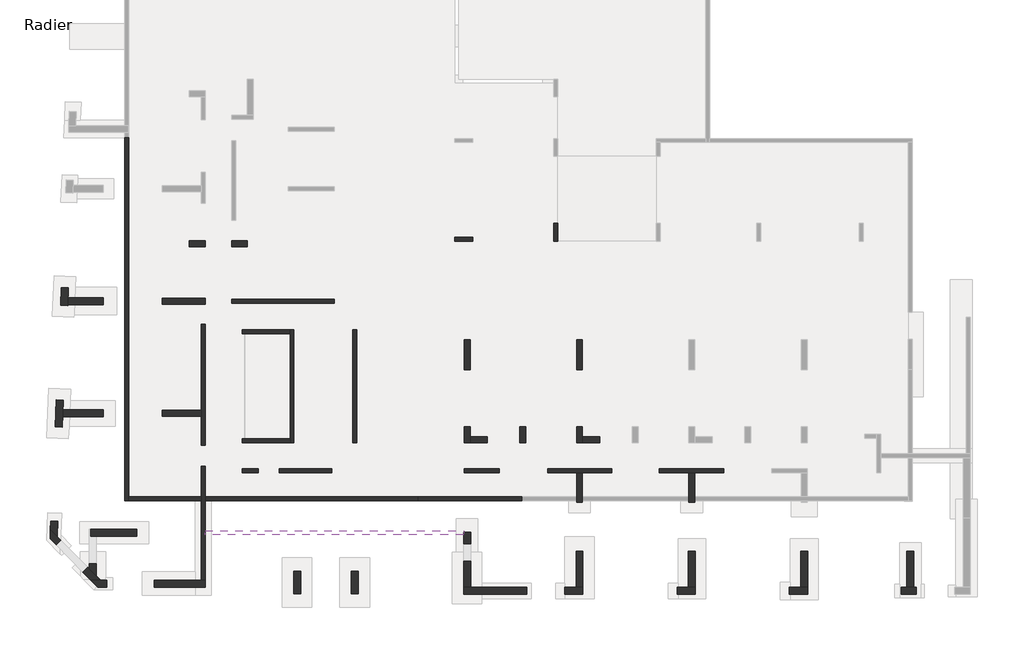
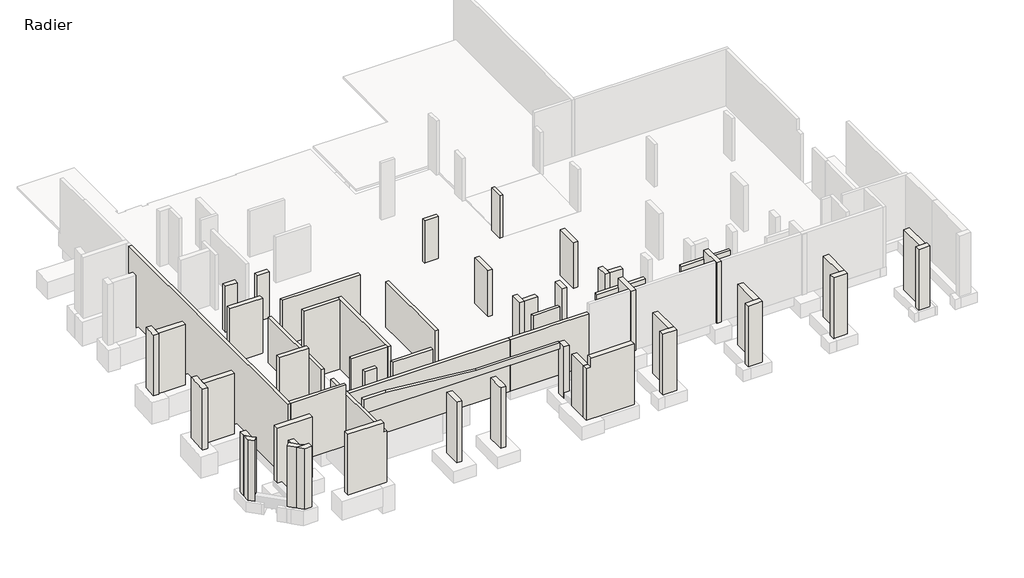
# One storey, part 1 of 4: 56 walls.
"""IFC4 building model written with IfcOpenShell, lengths in millimetres."""

from ifc_helpers import new_model, si_unit, frame, origin, place, context, project, spatial, polyline, outline, extrude, faceted_brep, element, save

model = new_model("IFC4")

# Units and contexts
model_context = context("Model", 3, world=origin())
ifc_project = project(units=[si_unit("LENGTHUNIT", "METRE", prefix="MILLI")], contexts=[model_context])

# Site, building, storey
site = spatial("IfcSite", under=ifc_project)
building = spatial("IfcBuilding", under=site)
storey = spatial("IfcBuildingStorey", under=building, Name="Radier", Elevation=-3900.0)

# Walls
placement = place(None, origin())
element("IfcWall", 1, ObjectType="MHA20", at=placement, inside=storey, context=model_context, shape_type="Brep", body=[
    faceted_brep([(-36735.6912908, -18724.0672499, -4300.0), (-36735.6912908, -12949.0672499, -4300.0), (-36735.6912908, -12949.0672499, -4050.0), (-36735.6912908, -12949.0672499, -670.0), (-36735.6912908, -18724.0672499, -670.0), (-36935.6912908, -18724.0672499, -4300.0), (-36935.6912908, -18724.0672499, -670.0), (-36935.6912908, -12949.0672499, -670.0), (-36935.6912908, -12949.0672499, -4050.0), (-36935.6912908, -12949.0672499, -4300.0)], [[[0, 1, 2, 3, 4]], [[5, 6, 7, 8, 9]], [[1, 0, 5, 9]], [[3, 2, 1, 9, 8, 7]], [[4, 3, 7, 6]], [[0, 4, 6, 5]]]),
])
element("IfcWall", 2, ObjectType="MHA20", at=placement, inside=storey, context=model_context, shape_type="Brep", body=[
    faceted_brep([(-10470.6912908, -13079.0672499, -4300.0), (-13740.6912908, -13079.0672499, -4300.0), (-13740.6912908, -13079.0672499, -670.0), (-10470.6912908, -13079.0672499, -670.0), (-10470.6912908, -13279.0672499, -4300.0), (-10470.6912908, -13279.0672499, -670.0), (-13740.6912908, -13279.0672499, -670.0), (-13740.6912908, -13279.0672499, -4300.0), (-12245.6912908, -13279.0672499, -4300.0), (-11945.6912908, -13279.0672499, -4300.0)], [[[0, 1, 2, 3]], [[4, 5, 6, 7, 8, 9]], [[1, 0, 4, 9, 8, 7]], [[2, 1, 7, 6]], [[3, 2, 6, 5]], [[0, 3, 5, 4]]]),
])
element("IfcWall", 3, ObjectType="MHA20", at=placement, inside=storey, context=model_context, shape_type="Brep", body=[
    faceted_brep([(-16160.6912908, -13079.0672499, -4300.0), (-19380.6912908, -13079.0672499, -4300.0), (-19380.6912908, -13079.0672499, -670.0), (-16160.6912908, -13079.0672499, -670.0), (-16160.6912908, -13279.0672499, -4300.0), (-16160.6912908, -13279.0672499, -670.0), (-19380.6912908, -13279.0672499, -670.0), (-19380.6912908, -13279.0672499, -4300.0), (-17935.6912908, -13279.0672499, -4300.0), (-17635.6912908, -13279.0672499, -4300.0)], [[[0, 1, 2, 3]], [[4, 5, 6, 7, 8, 9]], [[1, 0, 4, 9, 8, 7]], [[2, 1, 7, 6]], [[3, 2, 6, 5]], [[0, 3, 5, 4]]]),
])
element("IfcWall", 4, ObjectType="MHA20", at=placement, inside=storey, context=model_context, shape_type="SweptSolid", body=[
    extrude(outline(polyline([(-23625.6912908, -13079.0672499), (-21850.6912908, -13079.0672499), (-21850.6912908, -13279.0672499), (-23625.6912908, -13279.0672499), (-23625.6912908, -13079.0672499)])), frame((0.0, 0.0, -4300.0), z_axis=(0.0, 0.0, 1.0), x_axis=(1.0, 0.0, 0.0)), (0.0, 0.0, 1.0), 3630.0),
])
element("IfcWall", 5, ObjectType="MHA20", at=placement, inside=storey, context=model_context, shape_type="Brep", body=[
    faceted_brep([(-30320.6912908, -13079.0672499, -4300.0), (-32995.6912908, -13079.0672499, -4300.0), (-32995.6912908, -13079.0672499, -4050.0), (-32995.6912908, -13079.0672499, -670.0), (-30320.6912908, -13079.0672499, -670.0), (-30320.6912908, -13279.0672499, -4300.0), (-30320.6912908, -13279.0672499, -670.0), (-32995.6912908, -13279.0672499, -670.0), (-32995.6912908, -13279.0672499, -4050.0), (-32995.6912908, -13279.0672499, -4300.0)], [[[0, 1, 2, 3, 4]], [[5, 6, 7, 8, 9]], [[1, 0, 5, 9]], [[3, 2, 1, 9, 8, 7]], [[4, 3, 7, 6]], [[0, 4, 6, 5]]]),
])
element("IfcWall", 6, ObjectType="MHA20", at=placement, inside=storey, context=model_context, shape_type="Brep", body=[
    faceted_brep([(-34865.6912908, -13279.0672499, -4300.0), (-34055.6912908, -13279.0672499, -4300.0), (-34055.6912908, -13279.0672499, -4050.0), (-34055.6912908, -13279.0672499, -670.0), (-34865.6912908, -13279.0672499, -670.0), (-34865.6912908, -13079.0672499, -4300.0), (-34865.6912908, -13079.0672499, -670.0), (-34055.6912908, -13079.0672499, -670.0), (-34055.6912908, -13079.0672499, -4050.0), (-34055.6912908, -13079.0672499, -4300.0)], [[[0, 1, 2, 3, 4]], [[5, 6, 7, 8, 9]], [[1, 0, 5, 9]], [[3, 2, 1, 9, 8, 7]], [[4, 3, 7, 6]], [[0, 4, 6, 5]]]),
])
element("IfcWall", 7, ObjectType="MHA20", at=placement, inside=storey, context=model_context, shape_type="Brep", body=[
    faceted_brep([(-29065.6912908, -11759.0672499, -4300.0), (-29065.6912908, -6039.0672499, -4300.0), (-29065.6912908, -6039.0672499, -1650.0), (-29065.6912908, -6039.0672499, -670.0), (-29065.6912908, -11759.0672499, -670.0), (-29265.6912908, -11759.0672499, -4300.0), (-29265.6912908, -11759.0672499, -670.0), (-29265.6912908, -6039.0672499, -670.0), (-29265.6912908, -6039.0672499, -1650.0), (-29265.6912908, -6039.0672499, -4300.0)], [[[0, 1, 2, 3, 4]], [[5, 6, 7, 8, 9]], [[1, 0, 5, 9]], [[3, 2, 1, 9, 8, 7]], [[4, 3, 7, 6]], [[0, 4, 6, 5]]]),
])
element("IfcWall", 8, ObjectType="MHA20", at=placement, inside=storey, context=model_context, shape_type="Brep", body=[
    faceted_brep([(-35405.6912908, -4689.0672499, -4300.0), (-30195.6912908, -4689.0672499, -4300.0), (-30195.6912908, -4689.0672499, -1650.0), (-30195.6912908, -4689.0672499, -830.0), (-30195.6912908, -4689.0672499, -670.0), (-35405.6912908, -4689.0672499, -670.0), (-35405.6912908, -4689.0672499, -4050.0), (-35405.6912908, -4489.0672499, -4300.0), (-35405.6912908, -4489.0672499, -4050.0), (-35405.6912908, -4489.0672499, -670.0), (-30195.6912908, -4489.0672499, -670.0), (-30195.6912908, -4489.0672499, -830.0), (-30195.6912908, -4489.0672499, -1650.0), (-30195.6912908, -4489.0672499, -4300.0)], [[[0, 1, 2, 3, 4, 5, 6]], [[7, 8, 9, 10, 11, 12, 13]], [[1, 0, 7, 13]], [[4, 3, 2, 1, 13, 12, 11, 10]], [[5, 4, 10, 9]], [[0, 6, 5, 9, 8, 7]]]),
])
element("IfcWall", 9, ObjectType="MHA20", at=placement, inside=storey, context=model_context, shape_type="Brep", body=[
    faceted_brep([(-32245.6912908, -11759.0672499, -5800.0), (-32245.6912908, -6044.0672499, -5800.0), (-32245.6912908, -6044.0672499, -670.0), (-32245.6912908, -11759.0672499, -670.0), (-32445.6912908, -11759.0672499, -5800.0), (-32445.6912908, -11759.0672499, -670.0), (-32445.6912908, -11559.0672499, -670.0), (-32445.6912908, -6244.0672499, -670.0), (-32445.6912908, -6044.0672499, -670.0), (-32445.6912908, -6044.0672499, -5800.0), (-32445.6912908, -6244.0672499, -5800.0), (-32445.6912908, -11559.0672499, -5800.0)], [[[0, 1, 2, 3]], [[4, 5, 6, 7, 8, 9, 10, 11]], [[1, 0, 4, 11, 10, 9]], [[3, 2, 8, 7, 6, 5]], [[0, 3, 5, 4]], [[2, 1, 9, 8]]]),
])
element("IfcWall", 10, ObjectType="MHA20", at=placement, inside=storey, context=model_context, shape_type="Brep", body=[
    faceted_brep([(-34865.6912908, -11759.0672499, -5800.0), (-32445.6912908, -11759.0672499, -5800.0), (-32445.6912908, -11759.0672499, -670.0), (-34865.6912908, -11759.0672499, -670.0), (-34865.6912908, -11759.0672499, -4050.0), (-34865.6912908, -11559.0672499, -5800.0), (-34865.6912908, -11559.0672499, -4050.0), (-34865.6912908, -11559.0672499, -670.0), (-32445.6912908, -11559.0672499, -670.0), (-32445.6912908, -11559.0672499, -5800.0), (-34745.6912908, -11559.0672499, -5800.0)], [[[0, 1, 2, 3, 4]], [[5, 6, 7, 8, 9, 10]], [[1, 0, 5, 10, 9]], [[3, 2, 8, 7]], [[0, 4, 3, 7, 6, 5]], [[2, 1, 9, 8]]]),
])
element("IfcWall", 11, ObjectType="MHA20", at=placement, inside=storey, context=model_context, shape_type="Brep", body=[
    faceted_brep([(-34865.6912908, -6244.0672499, -5800.0), (-34745.6912908, -6244.0672499, -5800.0), (-32445.6912908, -6244.0672499, -5800.0), (-32445.6912908, -6244.0672499, -670.0), (-34865.6912908, -6244.0672499, -670.0), (-34865.6912908, -6244.0672499, -4050.0), (-34865.6912908, -6044.0672499, -5800.0), (-34865.6912908, -6044.0672499, -4050.0), (-34865.6912908, -6044.0672499, -670.0), (-32445.6912908, -6044.0672499, -670.0), (-32445.6912908, -6044.0672499, -5800.0)], [[[0, 1, 2, 3, 4, 5]], [[6, 7, 8, 9, 10]], [[2, 1, 0, 6, 10]], [[4, 3, 9, 8]], [[0, 5, 4, 8, 7, 6]], [[3, 2, 10, 9]]]),
])
element("IfcWall", 12, ObjectType="MHA20", at=placement, inside=storey, context=model_context, shape_type="Brep", body=[
    faceted_brep([(-36735.6912908, -11889.0672499, -4300.0), (-36735.6912908, -5774.0672499, -4300.0), (-36735.6912908, -5774.0672499, -670.0), (-36735.6912908, -11889.0672499, -670.0), (-36735.6912908, -11889.0672499, -4050.0), (-36935.6912908, -11889.0672499, -4300.0), (-36935.6912908, -11889.0672499, -4050.0), (-36935.6912908, -11889.0672499, -670.0), (-36935.6912908, -5774.0672499, -670.0), (-36935.6912908, -5774.0672499, -4300.0), (-36935.6912908, -10129.0672499, -4300.0), (-36935.6912908, -10429.0672499, -4300.0)], [[[0, 1, 2, 3, 4]], [[5, 6, 7, 8, 9, 10, 11]], [[1, 0, 5, 11, 10, 9]], [[2, 1, 9, 8]], [[3, 2, 8, 7]], [[0, 4, 3, 7, 6, 5]]]),
])
element("IfcWall", 13, ObjectType="MHA20", at=placement, inside=storey, context=model_context, shape_type="SweptSolid", body=[
    extrude(outline(polyline([(-40605.6912908, 3675.9327501), (-40605.6912908, -14699.0672499), (-40805.6912908, -14699.0672499), (-40805.6912908, 3675.9327501), (-40605.6912908, 3675.9327501)])), frame((0.0, 0.0, -5400.0), z_axis=(0.0, 0.0, 1.0), x_axis=(1.0, 0.0, 0.0)), (0.0, 0.0, 1.0), 5380.0),
])
element("IfcWall", 14, ObjectType="MHA20", at=placement, inside=storey, context=model_context, shape_type="SweptSolid", body=[
    extrude(outline(polyline([(-36935.6912908, -14699.0672499), (-40605.6912908, -14699.0672499), (-40605.6912908, -14499.0672499), (-36935.6912908, -14499.0672499), (-36935.6912908, -14699.0672499)])), frame((0.0, 0.0, -4300.0), z_axis=(0.0, 0.0, 1.0), x_axis=(1.0, 0.0, 0.0)), (0.0, 0.0, 1.0), 4280.0),
])
element("IfcWall", 15, ObjectType="MHA20", at=placement, inside=storey, context=model_context, shape_type="Brep", body=[
    faceted_brep([(-25975.6912908, -14699.0672499, -4300.0), (-20715.6912908, -14699.0672499, -4300.0), (-20715.6912908, -14699.0672499, -670.0), (-23300.6912908, -14699.0672499, -670.0), (-23650.6912908, -14699.0672499, -670.0), (-25975.6912908, -14699.0672499, -670.0), (-25975.6912908, -14499.0672499, -4300.0), (-25975.6912908, -14499.0672499, -670.0), (-20715.6912908, -14499.0672499, -670.0), (-20715.6912908, -14499.0672499, -4300.0)], [[[0, 1, 2, 3, 4, 5]], [[6, 7, 8, 9]], [[1, 0, 6, 9]], [[2, 1, 9, 8]], [[5, 4, 3, 2, 8, 7]], [[0, 5, 7, 6]]]),
])
element("IfcWall", 16, ObjectType="MHA20", at=placement, inside=storey, context=model_context, shape_type="SweptSolid", body=[
    extrude(outline(polyline([(-25975.6912908, -14699.0672499), (-36735.6912908, -14699.0672499), (-36735.6912908, -14499.0672499), (-25975.6912908, -14499.0672499), (-25975.6912908, -14699.0672499)])), frame((0.0, 0.0, -4300.0), z_axis=(0.0, 0.0, 1.0), x_axis=(1.0, 0.0, 0.0)), (0.0, 0.0, 1.0), 3630.0),
])
element("IfcWall", 17, ObjectType="MHA20", at=placement, inside=storey, context=model_context, shape_type="Brep", body=[
    faceted_brep([(-36735.6912908, -16419.0672499, -80.0), (-36735.6912908, -16419.0672499, -1070.0), (-23650.6912908, -16419.0672499, -1070.0), (-23650.6912908, -16419.0672499, -670.0), (-29190.6912908, -16419.0672499, -670.0), (-35225.6912908, -16419.0672499, -80.0), (-36735.6912908, -16219.0672499, -1070.0), (-36735.6912908, -16219.0672499, -80.0), (-35225.6912908, -16219.0672499, -80.0), (-29190.6912908, -16219.0672499, -670.0), (-23650.6912908, -16219.0672499, -670.0), (-23650.6912908, -16219.0672499, -1070.0), (-23650.6912908, -16289.0672499, -670.0)], [[[0, 1, 2, 3, 4, 5]], [[6, 7, 8, 9, 10, 11]], [[0, 7, 6, 1]], [[2, 1, 6, 11]], [[3, 2, 11, 10, 12]], [[0, 5, 8, 7]], [[4, 3, 12, 10, 9]], [[5, 4, 9, 8]]]),
])
element("IfcWall", 18, ObjectType="MHA20", at=placement, inside=storey, context=model_context, shape_type="Brep", body=[
    faceted_brep([(-19095.6912908, -659.1017012, -4300.0), (-19095.6912908, -1559.1017012, -4300.0), (-19095.6912908, -1559.1017012, -1450.0), (-19095.6912908, -1559.1017012, -1400.1086553), (-19095.6912908, -1559.1017012, -1220.0996555), (-19095.6912908, -1559.1017012, -900.0), (-19095.6912908, -659.1017012, -900.0), (-19095.6912908, -659.1017012, -1229.0996555), (-19095.6912908, -659.1017012, -1409.1086553), (-19095.6912908, -659.1017012, -1450.0), (-18895.6912908, -659.1017012, -4300.0), (-18895.6912908, -659.1017012, -1450.0), (-18895.6912908, -659.1017012, -1409.1086553), (-18895.6912908, -659.1017012, -1229.0996555), (-18895.6912908, -659.1017012, -900.0), (-18895.6912908, -1559.1017012, -900.0), (-18895.6912908, -1559.1017012, -1220.0996555), (-18895.6912908, -1559.1017012, -1400.1086553), (-18895.6912908, -1559.1017012, -1450.0), (-18895.6912908, -1559.1017012, -4300.0), (-18895.6912908, -1359.0672499, -4300.0)], [[[0, 1, 2, 3, 4, 5, 6, 7, 8, 9]], [[10, 11, 12, 13, 14, 15, 16, 17, 18, 19, 20]], [[1, 0, 10, 20, 19]], [[5, 4, 3, 2, 1, 19, 18, 17, 16, 15]], [[6, 5, 15, 14]], [[0, 9, 8, 7, 6, 14, 13, 12, 11, 10]]]),
])
element("IfcWall", 19, ObjectType="MHA20", at=placement, inside=storey, context=model_context, shape_type="Brep", body=[
    faceted_brep([(-24095.725742, -1559.1017012, -4300.0), (-23195.725742, -1559.1017012, -4300.0), (-23195.725742, -1559.1017012, -900.0), (-24095.725742, -1559.1017012, -900.0), (-24095.725742, -1559.1017012, -1220.0996555), (-24095.725742, -1559.1017012, -1400.1086553), (-24095.725742, -1559.1017012, -1450.0), (-24095.725742, -1359.1017012, -4300.0), (-24095.725742, -1359.1017012, -1450.0), (-24095.725742, -1359.1017012, -1402.1086553), (-24095.725742, -1359.1017012, -1222.0996555), (-24095.725742, -1359.1017012, -900.0), (-23195.725742, -1359.1017012, -900.0), (-23195.725742, -1359.1017012, -4300.0)], [[[0, 1, 2, 3, 4, 5, 6]], [[7, 8, 9, 10, 11, 12, 13]], [[1, 0, 7, 13]], [[2, 1, 13, 12]], [[3, 2, 12, 11]], [[0, 6, 5, 4, 3, 11, 10, 9, 8, 7]]]),
])
element("IfcWall", 20, ObjectType="MHA30", at=placement, inside=storey, context=model_context, shape_type="SweptSolid", body=[
    extrude(outline(polyline([(-20500.6912908, -10959.0672499), (-20500.6912908, -11759.0672499), (-20800.6912908, -11759.0672499), (-20800.6912908, -10959.0672499), (-20500.6912908, -10959.0672499)])), frame((0.0, 0.0, -4300.0), z_axis=(0.0, 0.0, 1.0), x_axis=(1.0, 0.0, 0.0)), (0.0, 0.0, 1.0), 3630.0),
])
element("IfcWall", 21, ObjectType="MHA30", at=placement, inside=storey, context=model_context, shape_type="Brep", body=[
    faceted_brep([(-35405.6912908, -1844.0672499, -4300.0), (-34605.6912908, -1844.0672499, -4300.0), (-34605.6912908, -1844.0672499, -670.0), (-35405.6912908, -1844.0672499, -670.0), (-35405.6912908, -1844.0672499, -4050.0), (-35405.6912908, -1544.0672499, -4300.0), (-35405.6912908, -1544.0672499, -4050.0), (-35405.6912908, -1544.0672499, -670.0), (-34605.6912908, -1544.0672499, -670.0), (-34605.6912908, -1544.0672499, -4300.0)], [[[0, 1, 2, 3, 4]], [[5, 6, 7, 8, 9]], [[1, 0, 5, 9]], [[2, 1, 9, 8]], [[3, 2, 8, 7]], [[0, 4, 3, 7, 6, 5]]]),
])
element("IfcWall", 22, ObjectType="MHA30", at=placement, inside=storey, context=model_context, shape_type="Brep", body=[
    faceted_brep([(-36735.6912908, -1544.0672499, -4300.0), (-37535.6912908, -1544.0672499, -4300.0), (-37535.6912908, -1544.0672499, -670.0), (-36735.6912908, -1544.0672499, -670.0), (-36735.6912908, -1544.0672499, -820.0), (-36735.6912908, -1544.0672499, -4050.0), (-36735.6912908, -1844.0672499, -4300.0), (-36735.6912908, -1844.0672499, -4050.0), (-36735.6912908, -1844.0672499, -670.0), (-37535.6912908, -1844.0672499, -670.0), (-37535.6912908, -1844.0672499, -4300.0)], [[[0, 1, 2, 3, 4, 5]], [[6, 7, 8, 9, 10]], [[1, 0, 6, 10]], [[2, 1, 10, 9]], [[3, 2, 9, 8]], [[0, 5, 4, 3, 8, 7, 6]]]),
])
element("IfcWall", 23, ObjectType="MHA30", at=placement, inside=storey, context=model_context, shape_type="Brep", body=[
    faceted_brep([(-17635.6912908, -14769.0672499, -4300.0), (-17635.6912908, -13279.0672499, -4300.0), (-17635.6912908, -13279.0672499, -820.0), (-17635.6912908, -13279.0672499, -180.0), (-17635.6912908, -13279.0672499, -20.0), (-17635.6912908, -14769.0672499, -20.0), (-17635.6912908, -14769.0672499, -140.0), (-17635.6912908, -14769.0672499, -820.0), (-17935.6912908, -14769.0672499, -4300.0), (-17935.6912908, -14769.0672499, -820.0), (-17935.6912908, -14769.0672499, -140.0), (-17935.6912908, -14769.0672499, -20.0), (-17935.6912908, -13279.0672499, -20.0), (-17935.6912908, -13279.0672499, -180.0), (-17935.6912908, -13279.0672499, -820.0), (-17935.6912908, -13279.0672499, -4300.0)], [[[0, 1, 2, 3, 4, 5, 6, 7]], [[8, 9, 10, 11, 12, 13, 14, 15]], [[1, 0, 8, 15]], [[5, 4, 12, 11]], [[0, 7, 6, 5, 11, 10, 9, 8]], [[1, 15, 14, 13, 12, 4, 3, 2]]]),
])
element("IfcWall", 24, ObjectType="MHA30", at=placement, inside=storey, context=model_context, shape_type="Brep", body=[
    faceted_brep([(-11945.6912908, -14769.0672499, -4300.0), (-11945.6912908, -13279.0672499, -4300.0), (-11945.6912908, -13279.0672499, -820.0), (-11945.6912908, -13279.0672499, -180.0), (-11945.6912908, -13279.0672499, -20.0), (-11945.6912908, -14769.0672499, -20.0), (-11945.6912908, -14769.0672499, -140.0), (-11945.6912908, -14769.0672499, -820.0), (-12245.6912908, -14769.0672499, -4300.0), (-12245.6912908, -14769.0672499, -820.0), (-12245.6912908, -14769.0672499, -140.0), (-12245.6912908, -14769.0672499, -20.0), (-12245.6912908, -13279.0672499, -20.0), (-12245.6912908, -13279.0672499, -180.0), (-12245.6912908, -13279.0672499, -820.0), (-12245.6912908, -13279.0672499, -4300.0)], [[[0, 1, 2, 3, 4, 5, 6, 7]], [[8, 9, 10, 11, 12, 13, 14, 15]], [[1, 0, 8, 15]], [[5, 4, 12, 11]], [[0, 7, 6, 5, 11, 10, 9, 8]], [[1, 15, 14, 13, 12, 4, 3, 2]]]),
])
element("IfcWall", 25, ObjectType="MHA30", at=placement, inside=storey, context=model_context, shape_type="Brep", body=[
    faceted_brep([(-38905.6912908, -10429.0672499, -4300.0), (-36935.6912908, -10429.0672499, -4300.0), (-36935.6912908, -10429.0672499, -820.0), (-36935.6912908, -10429.0672499, -180.0), (-36935.6912908, -10429.0672499, -20.0), (-38905.6912908, -10429.0672499, -20.0), (-38905.6912908, -10429.0672499, -180.0), (-38905.6912908, -10429.0672499, -820.0), (-38905.6912908, -10129.0672499, -4300.0), (-38905.6912908, -10129.0672499, -820.0), (-38905.6912908, -10129.0672499, -180.0), (-38905.6912908, -10129.0672499, -20.0), (-36935.6912908, -10129.0672499, -20.0), (-36935.6912908, -10129.0672499, -180.0), (-36935.6912908, -10129.0672499, -820.0), (-36935.6912908, -10129.0672499, -4300.0)], [[[0, 1, 2, 3, 4, 5, 6, 7]], [[8, 9, 10, 11, 12, 13, 14, 15]], [[1, 0, 8, 15]], [[5, 4, 12, 11]], [[0, 7, 6, 5, 11, 10, 9, 8]], [[1, 15, 14, 13, 12, 4, 3, 2]]]),
])
element("IfcWall", 26, ObjectType="MHA30", at=placement, inside=storey, context=model_context, shape_type="Brep", body=[
    faceted_brep([(-36735.6912908, -4439.0672499, -4300.0), (-38905.6912908, -4439.0672499, -4300.0), (-38905.6912908, -4439.0672499, -820.0), (-38905.6912908, -4439.0672499, -180.0), (-38905.6912908, -4439.0672499, -20.0), (-36735.6912908, -4439.0672499, -20.0), (-36735.6912908, -4739.0672499, -4300.0), (-36735.6912908, -4739.0672499, -20.0), (-38905.6912908, -4739.0672499, -20.0), (-38905.6912908, -4739.0672499, -180.0), (-38905.6912908, -4739.0672499, -820.0), (-38905.6912908, -4739.0672499, -4300.0), (-36735.6912908, -4489.0672499, -4300.0), (-36735.6912908, -4689.0672499, -4300.0)], [[[0, 1, 2, 3, 4, 5]], [[6, 7, 8, 9, 10, 11]], [[1, 0, 12, 13, 6, 11]], [[4, 3, 2, 1, 11, 10, 9, 8]], [[5, 4, 8, 7]], [[0, 5, 7, 6, 13, 12]]]),
])
element("IfcWall", 27, ObjectType="MHA30", at=placement, inside=storey, context=model_context, shape_type="Brep", body=[
    faceted_brep([(-17935.6912908, -6559.0672499, -4300.0), (-17935.6912908, -8059.0672499, -4300.0), (-17935.6912908, -8059.0672499, -1650.0), (-17935.6912908, -8059.0672499, -830.0), (-17935.6912908, -8059.0672499, -670.0), (-17935.6912908, -6559.0672499, -670.0), (-17935.6912908, -6559.0672499, -830.0), (-17935.6912908, -6559.0672499, -1650.0), (-17635.6912908, -6559.0672499, -4300.0), (-17635.6912908, -6559.0672499, -1650.0), (-17635.6912908, -6559.0672499, -830.0), (-17635.6912908, -6559.0672499, -670.0), (-17635.6912908, -8059.0672499, -670.0), (-17635.6912908, -8059.0672499, -830.0), (-17635.6912908, -8059.0672499, -1650.0), (-17635.6912908, -8059.0672499, -4300.0)], [[[0, 1, 2, 3, 4, 5, 6, 7]], [[8, 9, 10, 11, 12, 13, 14, 15]], [[1, 0, 8, 15]], [[4, 3, 2, 1, 15, 14, 13, 12]], [[5, 4, 12, 11]], [[0, 7, 6, 5, 11, 10, 9, 8]]]),
])
element("IfcWall", 28, ObjectType="MHA30", at=placement, inside=storey, context=model_context, shape_type="Brep", body=[
    faceted_brep([(-17935.6912908, -10959.0672499, -4300.0), (-17935.6912908, -11759.0672499, -4300.0), (-17935.6912908, -11759.0672499, -670.0), (-17935.6912908, -10959.0672499, -670.0), (-17935.6912908, -10959.0672499, -830.0), (-17935.6912908, -10959.0672499, -1650.0), (-17635.6912908, -10959.0672499, -4300.0), (-17635.6912908, -10959.0672499, -1650.0), (-17635.6912908, -10959.0672499, -830.0), (-17635.6912908, -10959.0672499, -670.0), (-17635.6912908, -11459.0672499, -670.0), (-17635.6912908, -11759.0672499, -670.0), (-17635.6912908, -11759.0672499, -4300.0), (-17635.6912908, -11459.0672499, -4300.0)], [[[0, 1, 2, 3, 4, 5]], [[6, 7, 8, 9, 10, 11, 12, 13]], [[1, 0, 6, 13, 12]], [[3, 2, 11, 10, 9]], [[0, 5, 4, 3, 9, 8, 7, 6]], [[2, 1, 12, 11]]]),
])
element("IfcWall", 29, ObjectType="MHA30", at=placement, inside=storey, context=model_context, shape_type="Brep", body=[
    faceted_brep([(-23625.6912908, -6559.0672499, -4300.0), (-23625.6912908, -8059.0672499, -4300.0), (-23625.6912908, -8059.0672499, -1650.0), (-23625.6912908, -8059.0672499, -830.0), (-23625.6912908, -8059.0672499, -670.0), (-23625.6912908, -6559.0672499, -670.0), (-23625.6912908, -6559.0672499, -830.0), (-23625.6912908, -6559.0672499, -1650.0), (-23325.6912908, -6559.0672499, -4300.0), (-23325.6912908, -6559.0672499, -1650.0), (-23325.6912908, -6559.0672499, -830.0), (-23325.6912908, -6559.0672499, -670.0), (-23325.6912908, -8059.0672499, -670.0), (-23325.6912908, -8059.0672499, -830.0), (-23325.6912908, -8059.0672499, -1650.0), (-23325.6912908, -8059.0672499, -4300.0)], [[[0, 1, 2, 3, 4, 5, 6, 7]], [[8, 9, 10, 11, 12, 13, 14, 15]], [[1, 0, 8, 15]], [[4, 3, 2, 1, 15, 14, 13, 12]], [[5, 4, 12, 11]], [[0, 7, 6, 5, 11, 10, 9, 8]]]),
])
element("IfcWall", 30, ObjectType="MHA30", at=placement, inside=storey, context=model_context, shape_type="Brep", body=[
    faceted_brep([(-23625.6912908, -10959.0672499, -4300.0), (-23625.6912908, -11759.0672499, -4300.0), (-23625.6912908, -11759.0672499, -1650.0), (-23625.6912908, -11759.0672499, -830.0), (-23625.6912908, -11759.0672499, -670.0), (-23625.6912908, -10959.0672499, -670.0), (-23625.6912908, -10959.0672499, -830.0), (-23625.6912908, -10959.0672499, -1650.0), (-23325.6912908, -10959.0672499, -4300.0), (-23325.6912908, -10959.0672499, -1650.0), (-23325.6912908, -10959.0672499, -830.0), (-23325.6912908, -10959.0672499, -670.0), (-23325.6912908, -11459.0672499, -670.0), (-23325.6912908, -11759.0672499, -670.0), (-23325.6912908, -11759.0672499, -4300.0), (-23325.6912908, -11459.0672499, -4300.0)], [[[0, 1, 2, 3, 4, 5, 6, 7]], [[8, 9, 10, 11, 12, 13, 14, 15]], [[1, 0, 8, 15, 14]], [[5, 4, 13, 12, 11]], [[0, 7, 6, 5, 11, 10, 9, 8]], [[4, 3, 2, 1, 14, 13]]]),
])
element("IfcWall", 31, ObjectType="MHA30", at=placement, inside=storey, context=model_context, shape_type="SweptSolid", body=[
    extrude(outline(polyline([(-23325.6912908, -11459.0672499), (-22450.6912908, -11459.0672499), (-22450.6912908, -11759.0672499), (-23325.6912908, -11759.0672499), (-23325.6912908, -11459.0672499)])), frame((0.0, 0.0, -4300.0), z_axis=(0.0, 0.0, 1.0), x_axis=(1.0, 0.0, 0.0)), (0.0, 0.0, 1.0), 3630.0),
])
element("IfcWall", 32, ObjectType="MHA30", at=placement, inside=storey, context=model_context, shape_type="SweptSolid", body=[
    extrude(outline(polyline([(-17635.6912908, -11459.0672499), (-16760.6912908, -11459.0672499), (-16760.6912908, -11759.0672499), (-17635.6912908, -11759.0672499), (-17635.6912908, -11459.0672499)])), frame((0.0, 0.0, -4300.0), z_axis=(0.0, 0.0, 1.0), x_axis=(1.0, 0.0, 0.0)), (0.0, 0.0, 1.0), 3630.0),
])
element("IfcWall", 33, ObjectType="MHA35", at=placement, inside=storey, context=model_context, shape_type="Brep", body=[
    faceted_brep([(-6230.6912908, -19094.0672499, -4300.0), (-6230.6912908, -17269.0672499, -4300.0), (-6230.6912908, -17269.0672499, -820.0), (-6230.6912908, -17269.0672499, -140.0), (-6230.6912908, -17269.0672499, -20.0), (-6230.6912908, -19094.0672499, -20.0), (-6580.6912908, -19094.0672499, -4300.0), (-6580.6912908, -19094.0672499, -20.0), (-6580.6912908, -17269.0672499, -20.0), (-6580.6912908, -17269.0672499, -140.0), (-6580.6912908, -17269.0672499, -820.0), (-6580.6912908, -17269.0672499, -4300.0)], [[[0, 1, 2, 3, 4, 5]], [[6, 7, 8, 9, 10, 11]], [[1, 0, 6, 11]], [[4, 3, 2, 1, 11, 10, 9, 8]], [[5, 4, 8, 7]], [[0, 5, 7, 6]]]),
])
element("IfcWall", 34, ObjectType="MHA35", at=placement, inside=storey, context=model_context, shape_type="Brep", body=[
    faceted_brep([(-850.6912908, -19094.0672499, -4300.0), (-850.6912908, -17269.0672499, -4300.0), (-850.6912908, -17269.0672499, -820.0), (-850.6912908, -17269.0672499, -140.0), (-850.6912908, -17269.0672499, -20.0), (-850.6912908, -19094.0672499, -20.0), (-1200.6912908, -19094.0672499, -4300.0), (-1200.6912908, -19094.0672499, -20.0), (-1200.6912908, -17269.0672499, -20.0), (-1200.6912908, -17269.0672499, -140.0), (-1200.6912908, -17269.0672499, -820.0), (-1200.6912908, -17269.0672499, -4300.0)], [[[0, 1, 2, 3, 4, 5]], [[6, 7, 8, 9, 10, 11]], [[1, 0, 6, 11]], [[4, 3, 2, 1, 11, 10, 9, 8]], [[5, 4, 8, 7]], [[0, 5, 7, 6]]]),
])
element("IfcWall", 35, ObjectType="MHA35", at=placement, inside=storey, context=model_context, shape_type="Brep", body=[
    faceted_brep([(-11920.6912908, -19094.0672499, -4300.0), (-11920.6912908, -17269.0672499, -4300.0), (-11920.6912908, -17269.0672499, -820.0), (-11920.6912908, -17269.0672499, -140.0), (-11920.6912908, -17269.0672499, -20.0), (-11920.6912908, -19094.0672499, -20.0), (-12270.6912908, -19094.0672499, -4300.0), (-12270.6912908, -19094.0672499, -20.0), (-12270.6912908, -17269.0672499, -20.0), (-12270.6912908, -17269.0672499, -140.0), (-12270.6912908, -17269.0672499, -820.0), (-12270.6912908, -17269.0672499, -4300.0)], [[[0, 1, 2, 3, 4, 5]], [[6, 7, 8, 9, 10, 11]], [[1, 0, 6, 11]], [[4, 3, 2, 1, 11, 10, 9, 8]], [[5, 4, 8, 7]], [[0, 5, 7, 6]]]),
])
element("IfcWall", 36, ObjectType="MHA35", at=placement, inside=storey, context=model_context, shape_type="Brep", body=[
    faceted_brep([(-17610.6912908, -19094.0672499, -4300.0), (-17610.6912908, -17269.0672499, -4300.0), (-17610.6912908, -17269.0672499, -820.0), (-17610.6912908, -17269.0672499, -140.0), (-17610.6912908, -17269.0672499, -20.0), (-17610.6912908, -19094.0672499, -20.0), (-17960.6912908, -19094.0672499, -4300.0), (-17960.6912908, -19094.0672499, -20.0), (-17960.6912908, -17269.0672499, -20.0), (-17960.6912908, -17269.0672499, -140.0), (-17960.6912908, -17269.0672499, -820.0), (-17960.6912908, -17269.0672499, -4300.0)], [[[0, 1, 2, 3, 4, 5]], [[6, 7, 8, 9, 10, 11]], [[1, 0, 6, 11]], [[4, 3, 2, 1, 11, 10, 9, 8]], [[5, 4, 8, 7]], [[0, 5, 7, 6]]]),
])
element("IfcWall", 37, ObjectType="MHA35", at=placement, inside=storey, context=model_context, shape_type="Brep", body=[
    faceted_brep([(-23300.6912908, -19094.0672499, -4300.0), (-23300.6912908, -17759.0672499, -4300.0), (-23300.6912908, -17759.0672499, -3900.0), (-23300.6912908, -17759.0672499, -1470.0), (-23300.6912908, -17759.0672499, -670.0), (-23300.6912908, -19094.0672499, -670.0), (-23650.6912908, -19094.0672499, -4300.0), (-23650.6912908, -19094.0672499, -670.0), (-23650.6912908, -17759.0672499, -670.0), (-23650.6912908, -17759.0672499, -1470.0), (-23650.6912908, -17759.0672499, -3900.0), (-23650.6912908, -17759.0672499, -4300.0), (-23325.6912908, -19094.0672499, -670.0)], [[[0, 1, 2, 3, 4, 5]], [[6, 7, 8, 9, 10, 11]], [[1, 0, 6, 11]], [[4, 3, 2, 1, 11, 10, 9, 8]], [[5, 4, 8, 7, 12]], [[0, 5, 12, 7, 6]]]),
])
element("IfcWall", 38, ObjectType="MHA35", at=placement, inside=storey, context=model_context, shape_type="Brep", body=[
    faceted_brep([(-28990.6912908, -19419.0672499, -4300.0), (-28990.6912908, -18269.0672499, -4300.0), (-28990.6912908, -18269.0672499, -20.0), (-28990.6912908, -19219.0672499, -20.0), (-28990.6912908, -19419.0672499, -20.0), (-28990.6912908, -19419.0672499, -420.0), (-29340.6912908, -19419.0672499, -4300.0), (-29340.6912908, -19419.0672499, -420.0), (-29340.6912908, -19419.0672499, -20.0), (-29340.6912908, -19219.0672499, -20.0), (-29340.6912908, -18269.0672499, -20.0), (-29340.6912908, -18269.0672499, -4300.0)], [[[0, 1, 2, 3, 4, 5]], [[6, 7, 8, 9, 10, 11]], [[1, 0, 6, 11]], [[2, 1, 11, 10]], [[4, 3, 2, 10, 9, 8]], [[0, 5, 4, 8, 7, 6]]]),
])
element("IfcWall", 39, ObjectType="MHA35", at=placement, inside=storey, context=model_context, shape_type="Brep", body=[
    faceted_brep([(-31910.6912908, -19419.0672499, -4300.0), (-31910.6912908, -18269.0672499, -4300.0), (-31910.6912908, -18269.0672499, -20.0), (-31910.6912908, -19219.0672499, -20.0), (-31910.6912908, -19419.0672499, -20.0), (-31910.6912908, -19419.0672499, -420.0), (-32260.6912908, -19419.0672499, -4300.0), (-32260.6912908, -19419.0672499, -420.0), (-32260.6912908, -19419.0672499, -20.0), (-32260.6912908, -19219.0672499, -20.0), (-32260.6912908, -18269.0672499, -20.0), (-32260.6912908, -18269.0672499, -4300.0)], [[[0, 1, 2, 3, 4, 5]], [[6, 7, 8, 9, 10, 11]], [[1, 0, 6, 11]], [[2, 1, 11, 10]], [[4, 3, 2, 10, 9, 8]], [[0, 5, 4, 8, 7, 6]]]),
])
element("IfcWall", 40, ObjectType="MHA35", at=placement, inside=storey, context=model_context, shape_type="Brep", body=[
    faceted_brep([(-43966.1461267, -10454.0672499, -4300.0), (-41905.6912908, -10454.0672499, -4300.0), (-41905.6912908, -10454.0672499, -820.0), (-41905.6912908, -10454.0672499, -140.0), (-41905.6912908, -10454.0672499, -20.0), (-43966.1461267, -10454.0672499, -20.0), (-43950.2684074, -10104.0672499, -4300.0), (-43950.2684074, -10104.0672499, -20.0), (-41905.6912908, -10104.0672499, -20.0), (-41905.6912908, -10104.0672499, -140.0), (-41905.6912908, -10104.0672499, -820.0), (-41905.6912908, -10104.0672499, -4300.0)], [[[0, 1, 2, 3, 4, 5]], [[6, 7, 8, 9, 10, 11]], [[1, 0, 6, 11]], [[4, 3, 2, 1, 11, 10, 9, 8]], [[5, 4, 8, 7]], [[0, 5, 7, 6]]]),
])
element("IfcWall", 41, ObjectType="MHA35", at=placement, inside=storey, context=model_context, shape_type="Brep", body=[
    faceted_brep([(-43708.0197758, -4764.0672499, -4300.0), (-41905.6912908, -4764.0672499, -4300.0), (-41905.6912908, -4764.0672499, -820.0), (-41905.6912908, -4764.0672499, -140.0), (-41905.6912908, -4764.0672499, -20.0), (-43708.0197758, -4764.0672499, -20.0), (-43692.1420565, -4414.0672499, -4300.0), (-43692.1420565, -4414.0672499, -20.0), (-41905.6912908, -4414.0672499, -20.0), (-41905.6912908, -4414.0672499, -140.0), (-41905.6912908, -4414.0672499, -820.0), (-41905.6912908, -4414.0672499, -4300.0)], [[[0, 1, 2, 3, 4, 5]], [[6, 7, 8, 9, 10, 11]], [[1, 0, 6, 11]], [[4, 3, 2, 1, 11, 10, 9, 8]], [[5, 4, 8, 7]], [[0, 5, 7, 6]]]),
])
element("IfcWall", 42, ObjectType="MHA35", at=placement, inside=storey, context=model_context, shape_type="Brep", body=[
    faceted_brep([(-23300.6912908, -16879.0672499, -4300.0), (-23300.6912908, -16289.0672499, -4300.0), (-23300.6912908, -16289.0672499, -1470.0), (-23300.6912908, -16289.0672499, -670.0), (-23300.6912908, -16879.0672499, -670.0), (-23300.6912908, -16879.0672499, -1470.0), (-23300.6912908, -16879.0672499, -3900.0), (-23650.6912908, -16879.0672499, -4300.0), (-23650.6912908, -16879.0672499, -3900.0), (-23650.6912908, -16879.0672499, -1470.0), (-23650.6912908, -16879.0672499, -670.0), (-23650.6912908, -16289.0672499, -670.0), (-23650.6912908, -16289.0672499, -1470.0), (-23650.6912908, -16289.0672499, -4300.0)], [[[0, 1, 2, 3, 4, 5, 6]], [[7, 8, 9, 10, 11, 12, 13]], [[1, 0, 7, 13]], [[3, 2, 1, 13, 12, 11]], [[4, 3, 11, 10]], [[0, 6, 5, 4, 10, 9, 8, 7]]]),
])
element("IfcWall", 43, ObjectType="MHA35", at=placement, inside=storey, context=model_context, shape_type="Brep", body=[
    faceted_brep([(-42250.6912908, -18510.656629, -4300.0), (-42250.6912908, -17889.0672499, -4300.0), (-42250.6912908, -17889.0672499, -3900.0), (-42250.6912908, -17889.0672499, -20.0), (-42250.6912908, -18510.656629, -20.0), (-42600.6912908, -18156.3621628, -4300.0), (-42600.6912908, -18156.3621628, -20.0), (-42600.6912908, -17889.0672499, -20.0), (-42600.6912908, -17889.0672499, -3900.0), (-42600.6912908, -17889.0672499, -4300.0)], [[[0, 1, 2, 3, 4]], [[5, 6, 7, 8, 9]], [[1, 0, 5, 9]], [[3, 2, 1, 9, 8, 7]], [[4, 3, 7, 6]], [[0, 4, 6, 5]]]),
])
element("IfcWall", 44, ObjectType="MHA35", at=placement, inside=storey, context=model_context, shape_type="SweptSolid", body=[
    extrude(outline(polyline([(-40205.6912908, -16494.0672499), (-42525.6912908, -16494.0672499), (-42525.6912908, -16144.0672499), (-40205.6912908, -16144.0672499), (-40205.6912908, -16494.0672499)])), frame((0.0, 0.0, -4300.0), z_axis=(0.0, 0.0, 1.0), x_axis=(1.0, 0.0, 0.0)), (0.0, 0.0, 1.0), 4280.0),
])
element("IfcWall", 45, ObjectType="MHA35", at=placement, inside=storey, context=model_context, shape_type="Brep", body=[
    faceted_brep([(-23650.6912908, -19444.0672499, -4300.0), (-20455.6912908, -19444.0672499, -4300.0), (-20455.6912908, -19444.0672499, -3700.0), (-20455.6912908, -19444.0672499, -420.0), (-20455.6912908, -19444.0672499, -140.0), (-20455.6912908, -19444.0672499, -20.0), (-23325.6912908, -19444.0672499, -20.0), (-23325.6912908, -19444.0672499, -670.0), (-23625.6912908, -19444.0672499, -670.0), (-23650.6912908, -19444.0672499, -670.0), (-23650.6912908, -19094.0672499, -4300.0), (-23650.6912908, -19094.0672499, -670.0), (-23325.6912908, -19094.0672499, -670.0), (-23325.6912908, -19094.0672499, -20.0), (-20455.6912908, -19094.0672499, -20.0), (-20455.6912908, -19094.0672499, -3700.0), (-20455.6912908, -19094.0672499, -4300.0), (-23300.6912908, -19094.0672499, -4300.0), (-23325.6912908, -19119.0672499, -20.0), (-23325.6912908, -19419.0672499, -20.0)], [[[0, 1, 2, 3, 4, 5, 6, 7, 8, 9]], [[10, 11, 12, 13, 14, 15, 16, 17]], [[1, 0, 10, 17, 16]], [[5, 4, 3, 2, 1, 16, 15, 14]], [[6, 5, 14, 13, 18, 19]], [[7, 12, 11, 9, 8]], [[0, 9, 11, 10]], [[7, 6, 19, 18, 13, 12]]]),
])
element("IfcWall", 46, ObjectType="MHA35", at=placement, inside=storey, context=model_context, shape_type="Brep", body=[
    faceted_brep([(-7155.6912908, -19444.0672499, -4300.0), (-6230.6912908, -19444.0672499, -4300.0), (-6230.6912908, -19444.0672499, -3700.0), (-6230.6912908, -19444.0672499, -420.0), (-6230.6912908, -19444.0672499, -140.0), (-6230.6912908, -19444.0672499, -20.0), (-7155.6912908, -19444.0672499, -20.0), (-7155.6912908, -19444.0672499, -140.0), (-7155.6912908, -19444.0672499, -420.0), (-7155.6912908, -19444.0672499, -3700.0), (-7155.6912908, -19094.0672499, -4300.0), (-7155.6912908, -19094.0672499, -3700.0), (-7155.6912908, -19094.0672499, -20.0), (-6580.6912908, -19094.0672499, -20.0), (-6230.6912908, -19094.0672499, -20.0), (-6230.6912908, -19094.0672499, -3700.0), (-6230.6912908, -19094.0672499, -4300.0), (-6580.6912908, -19094.0672499, -4300.0)], [[[0, 1, 2, 3, 4, 5, 6, 7, 8, 9]], [[10, 11, 12, 13, 14, 15, 16, 17]], [[1, 0, 10, 17, 16]], [[6, 5, 14, 13, 12]], [[0, 9, 8, 7, 6, 12, 11, 10]], [[5, 4, 3, 2, 1, 16, 15, 14]]]),
])
element("IfcWall", 47, ObjectType="MHA35", at=placement, inside=storey, context=model_context, shape_type="Brep", body=[
    faceted_brep([(-12845.6912908, -19444.0672499, -4300.0), (-11920.6912908, -19444.0672499, -4300.0), (-11920.6912908, -19444.0672499, -3700.0), (-11920.6912908, -19444.0672499, -420.0), (-11920.6912908, -19444.0672499, -140.0), (-11920.6912908, -19444.0672499, -20.0), (-12845.6912908, -19444.0672499, -20.0), (-12845.6912908, -19444.0672499, -140.0), (-12845.6912908, -19444.0672499, -420.0), (-12845.6912908, -19444.0672499, -3700.0), (-12845.6912908, -19094.0672499, -4300.0), (-12845.6912908, -19094.0672499, -3700.0), (-12845.6912908, -19094.0672499, -20.0), (-12270.6912908, -19094.0672499, -20.0), (-11920.6912908, -19094.0672499, -20.0), (-11920.6912908, -19094.0672499, -3700.0), (-11920.6912908, -19094.0672499, -4300.0), (-12270.6912908, -19094.0672499, -4300.0)], [[[0, 1, 2, 3, 4, 5, 6, 7, 8, 9]], [[10, 11, 12, 13, 14, 15, 16, 17]], [[1, 0, 10, 17, 16]], [[6, 5, 14, 13, 12]], [[0, 9, 8, 7, 6, 12, 11, 10]], [[5, 4, 3, 2, 1, 16, 15, 14]]]),
])
element("IfcWall", 48, ObjectType="MHA35", at=placement, inside=storey, context=model_context, shape_type="Brep", body=[
    faceted_brep([(-18535.6912908, -19444.0672499, -4300.0), (-17610.6912908, -19444.0672499, -4300.0), (-17610.6912908, -19444.0672499, -3700.0), (-17610.6912908, -19444.0672499, -420.0), (-17610.6912908, -19444.0672499, -140.0), (-17610.6912908, -19444.0672499, -20.0), (-18535.6912908, -19444.0672499, -20.0), (-18535.6912908, -19444.0672499, -140.0), (-18535.6912908, -19444.0672499, -420.0), (-18535.6912908, -19444.0672499, -3700.0), (-18535.6912908, -19094.0672499, -4300.0), (-18535.6912908, -19094.0672499, -3700.0), (-18535.6912908, -19094.0672499, -20.0), (-17960.6912908, -19094.0672499, -20.0), (-17610.6912908, -19094.0672499, -20.0), (-17610.6912908, -19094.0672499, -3700.0), (-17610.6912908, -19094.0672499, -4300.0), (-17960.6912908, -19094.0672499, -4300.0)], [[[0, 1, 2, 3, 4, 5, 6, 7, 8, 9]], [[10, 11, 12, 13, 14, 15, 16, 17]], [[1, 0, 10, 17, 16]], [[6, 5, 14, 13, 12]], [[0, 9, 8, 7, 6, 12, 11, 10]], [[5, 4, 3, 2, 1, 16, 15, 14]]]),
])
element("IfcWall", 49, ObjectType="MHA35", at=placement, inside=storey, context=model_context, shape_type="Brep", body=[
    faceted_brep([(-1485.6912908, -19444.0672499, -4300.0), (-725.6912908, -19444.0672499, -4300.0), (-725.6912908, -19444.0672499, -3700.0), (-725.6912908, -19444.0672499, -420.0), (-725.6912908, -19444.0672499, -140.0), (-725.6912908, -19444.0672499, -20.0), (-1485.6912908, -19444.0672499, -20.0), (-1485.6912908, -19444.0672499, -140.0), (-1485.6912908, -19444.0672499, -420.0), (-1485.6912908, -19444.0672499, -3700.0), (-1485.6912908, -19094.0672499, -4300.0), (-1485.6912908, -19094.0672499, -3700.0), (-1485.6912908, -19094.0672499, -20.0), (-1200.6912908, -19094.0672499, -20.0), (-850.6912908, -19094.0672499, -20.0), (-725.6912908, -19094.0672499, -20.0), (-725.6912908, -19094.0672499, -3700.0), (-725.6912908, -19094.0672499, -4300.0), (-850.6912908, -19094.0672499, -4300.0), (-1200.6912908, -19094.0672499, -4300.0)], [[[0, 1, 2, 3, 4, 5, 6, 7, 8, 9]], [[10, 11, 12, 13, 14, 15, 16, 17, 18, 19]], [[1, 0, 10, 19, 18, 17]], [[5, 4, 3, 2, 1, 17, 16, 15]], [[6, 5, 15, 14, 13, 12]], [[0, 9, 8, 7, 6, 12, 11, 10]]]),
])
element("IfcWall", 50, ObjectType="MHA35", at=placement, inside=storey, context=model_context, shape_type="Brep", body=[
    faceted_brep([(-43710.7383369, -4823.9937668, -4300.0), (-43708.0197758, -4764.0672499, -4300.0), (-43692.1420565, -4414.0672499, -4300.0), (-43669.7252716, -3919.9235657, -4300.0), (-43669.7252716, -3919.9235657, -3700.0), (-43669.7252716, -3919.9235657, -20.0), (-43692.1420565, -4414.0672499, -20.0), (-43708.0197758, -4764.0672499, -20.0), (-43710.7383369, -4823.9937668, -20.0), (-43710.7383369, -4823.9937668, -3700.0), (-44060.3787462, -4808.1323603, -4300.0), (-44060.3787462, -4808.1323603, -3700.0), (-44060.3787462, -4808.1323603, -420.0), (-44060.3787462, -4808.1323603, -140.0), (-44060.3787462, -4808.1323603, -20.0), (-44019.3656808, -3904.0621592, -20.0), (-44019.3656808, -3904.0621592, -140.0), (-44019.3656808, -3904.0621592, -420.0), (-44019.3656808, -3904.0621592, -3700.0), (-44019.3656808, -3904.0621592, -4300.0)], [[[0, 1, 2, 3, 4, 5, 6, 7, 8, 9]], [[10, 11, 12, 13, 14, 15, 16, 17, 18, 19]], [[3, 2, 1, 0, 10, 19]], [[5, 4, 3, 19, 18, 17, 16, 15]], [[8, 7, 6, 5, 15, 14]], [[0, 9, 8, 14, 13, 12, 11, 10]]]),
])
element("IfcWall", 51, ObjectType="MHA35", at=placement, inside=storey, context=model_context, shape_type="Brep", body=[
    faceted_brep([(-43989.4459083, -10967.6752437, -4300.0), (-43966.1461267, -10454.0672499, -4300.0), (-43950.2684074, -10104.0672499, -4300.0), (-43927.8130145, -9609.0725106, -4300.0), (-43927.8130145, -9609.0725106, -3700.0), (-43927.8130145, -9609.0725106, -20.0), (-43950.2684074, -10104.0672499, -20.0), (-43966.1461267, -10454.0672499, -20.0), (-43989.4459083, -10967.6752437, -20.0), (-43989.4459083, -10967.6752437, -3600.0), (-44339.0863176, -10951.8138372, -4300.0), (-44339.0863176, -10951.8138372, -3600.0), (-44339.0863176, -10951.8138372, -420.0), (-44339.0863176, -10951.8138372, -140.0), (-44339.0863176, -10951.8138372, -20.0), (-44277.4534238, -9593.2111041, -20.0), (-44277.4534238, -9593.2111041, -140.0), (-44277.4534238, -9593.2111041, -420.0), (-44277.4534238, -9593.2111041, -3700.0), (-44277.4534238, -9593.2111041, -4300.0)], [[[0, 1, 2, 3, 4, 5, 6, 7, 8, 9]], [[10, 11, 12, 13, 14, 15, 16, 17, 18, 19]], [[3, 2, 1, 0, 10, 19]], [[5, 4, 3, 19, 18, 17, 16, 15]], [[8, 7, 6, 5, 15, 14]], [[0, 9, 8, 14, 13, 12, 11, 10]]]),
])
element("IfcWall", 52, ObjectType="MHA35", at=placement, inside=storey, context=model_context, shape_type="Brep", body=[
    faceted_brep([(-44556.1609951, -15736.892581, -4300.0), (-44575.2454613, -16157.5804035, -4300.0), (-44575.2454613, -16157.5804035, -20.0), (-44556.1609951, -15736.892581, -20.0), (-44556.1609951, -15736.892581, -140.0), (-44556.1609951, -15736.892581, -420.0), (-44556.1609951, -15736.892581, -3600.0), (-44206.5205859, -15752.7539875, -4300.0), (-44206.5205859, -15752.7539875, -3600.0), (-44206.5205859, -15752.7539875, -20.0), (-44240.2681722, -16496.6678316, -20.0), (-44240.2681722, -16496.6678316, -4300.0)], [[[0, 1, 2, 3, 4, 5, 6]], [[7, 8, 9, 10, 11]], [[1, 0, 7, 11]], [[3, 2, 10, 9]], [[0, 6, 5, 4, 3, 9, 8, 7]], [[2, 1, 11, 10]]]),
])
element("IfcWall", 53, ObjectType="MHA35", at=placement, inside=storey, context=model_context, shape_type="Brep", body=[
    faceted_brep([(-42186.0939242, -19074.0672499, -4300.0), (-41735.6912908, -19074.0672499, -4300.0), (-41735.6912908, -19074.0672499, -3300.0), (-41735.6912908, -19074.0672499, -420.0), (-41735.6912908, -19074.0672499, -140.0), (-41735.6912908, -19074.0672499, -20.0), (-42186.0939242, -19074.0672499, -20.0), (-42531.8515121, -18724.0672499, -4300.0), (-42531.8515121, -18724.0672499, -20.0), (-42039.8674579, -18724.0672499, -20.0), (-41735.6912908, -18724.0672499, -20.0), (-41735.6912908, -18724.0672499, -3300.0), (-41735.6912908, -18724.0672499, -4300.0), (-42039.8674579, -18724.0672499, -4300.0)], [[[0, 1, 2, 3, 4, 5, 6]], [[7, 8, 9, 10, 11, 12, 13]], [[1, 0, 7, 13, 12]], [[5, 4, 3, 2, 1, 12, 11, 10]], [[6, 5, 10, 9, 8]], [[0, 6, 8, 7]]]),
])
element("IfcWall", 54, ObjectType="MHA35", at=placement, inside=storey, context=model_context, shape_type="Brep", body=[
    faceted_brep([(-42932.9248767, -18318.0727539, -4300.0), (-42531.8515121, -18724.0672499, -4300.0), (-42531.8515121, -18724.0672499, -20.0), (-42932.9248767, -18318.0727539, -20.0), (-42932.9248767, -18318.0727539, -140.0), (-42932.9248767, -18318.0727539, -420.0), (-42932.9248767, -18318.0727539, -3900.0), (-42683.933067, -18072.0990181, -4300.0), (-42683.933067, -18072.0990181, -3900.0), (-42683.933067, -18072.0990181, -20.0), (-42600.6912908, -18156.3621628, -20.0), (-42575.6912908, -18181.6689104, -20.0), (-42275.6912908, -18485.3498814, -20.0), (-42250.6912908, -18510.656629, -20.0), (-42039.8674579, -18724.0672499, -20.0), (-42039.8674579, -18724.0672499, -4300.0), (-42250.6912908, -18510.656629, -4300.0), (-42600.6912908, -18156.3621628, -4300.0)], [[[0, 1, 2, 3, 4, 5, 6]], [[7, 8, 9, 10, 11, 12, 13, 14, 15, 16, 17]], [[1, 0, 7, 17, 16, 15]], [[3, 2, 14, 13, 12, 11, 10, 9]], [[0, 6, 5, 4, 3, 9, 8, 7]], [[2, 1, 15, 14]]]),
])
element("IfcWall", 55, ObjectType="MHA35", at=placement, inside=storey, context=model_context, shape_type="Brep", body=[
    faceted_brep([(-39315.6912908, -19074.0672499, -4300.0), (-36735.6912908, -19074.0672499, -4300.0), (-36735.6912908, -19074.0672499, -670.0), (-36935.6912908, -19074.0672499, -670.0), (-36935.6912908, -19074.0672499, -20.0), (-39315.6912908, -19074.0672499, -20.0), (-39315.6912908, -19074.0672499, -140.0), (-39315.6912908, -19074.0672499, -420.0), (-39315.6912908, -19074.0672499, -3300.0), (-39315.6912908, -18724.0672499, -4300.0), (-39315.6912908, -18724.0672499, -3300.0), (-39315.6912908, -18724.0672499, -20.0), (-36935.6912908, -18724.0672499, -20.0), (-36935.6912908, -18724.0672499, -670.0), (-36735.6912908, -18724.0672499, -670.0), (-36735.6912908, -18724.0672499, -4300.0), (-36935.6912908, -18724.0672499, -4300.0), (-36935.6912908, -19049.0672499, -20.0), (-36935.6912908, -18749.0672499, -20.0)], [[[0, 1, 2, 3, 4, 5, 6, 7, 8]], [[9, 10, 11, 12, 13, 14, 15, 16]], [[1, 0, 9, 16, 15]], [[5, 4, 17, 18, 12, 11]], [[0, 8, 7, 6, 5, 11, 10, 9]], [[13, 3, 2, 14]], [[2, 1, 15, 14]], [[4, 3, 13, 12, 18, 17]]]),
])
element("IfcWall", 56, ObjectType="MHA35", at=placement, inside=storey, context=model_context, shape_type="Brep", body=[
    faceted_brep([(-44047.3231996, -16691.9802204, -4300.0), (-44240.2681722, -16496.6678316, -4300.0), (-44575.2454613, -16157.5804035, -4300.0), (-44575.2454613, -16157.5804035, -20.0), (-44240.2681722, -16496.6678316, -20.0), (-44047.3231996, -16691.9802204, -20.0), (-44296.3150093, -16937.9539561, -4300.0), (-44296.3150093, -16937.9539561, -420.0), (-44296.3150093, -16937.9539561, -140.0), (-44296.3150093, -16937.9539561, -20.0), (-44596.846186, -16633.7352909, -20.0), (-44596.846186, -16633.7352909, -4300.0)], [[[0, 1, 2, 3, 4, 5]], [[6, 7, 8, 9, 10, 11]], [[2, 1, 0, 6, 11]], [[5, 4, 3, 10, 9]], [[0, 5, 9, 8, 7, 6]], [[3, 2, 11, 10]]]),
])

save(model, "model.ifc")
